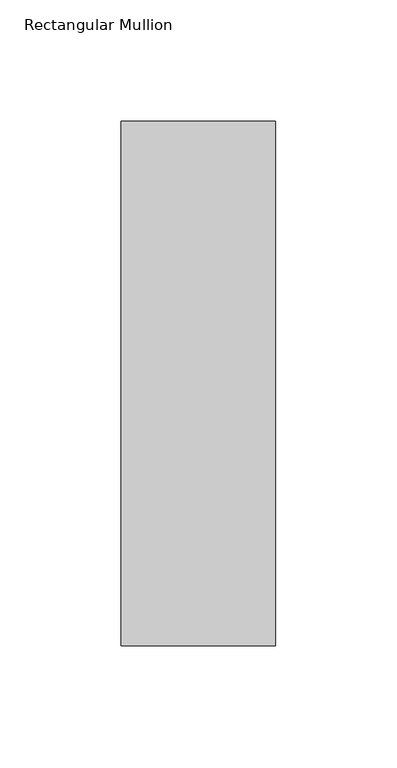
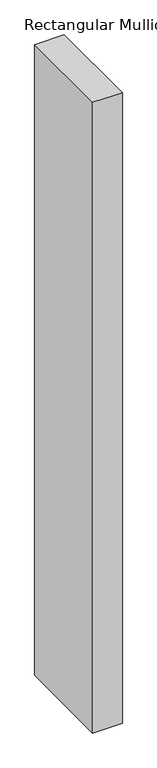
"""IFC4 building model written with IfcOpenShell, lengths in millimetres: member geometry, Rectangular Mullion."""

from ifc_helpers import new_model, si_unit, frame, origin, place, context, project, spatial, polyline, outline, extrude, source, transform, mapped, element, save


def rectangular_mullion_f43afa2d(model_context):
    return source(origin(), model_context, "Body", "SweptSolid", [
        extrude(outline(polyline([(31.75, -228.6), (-31.75, -228.6), (-31.75, -12.7), (31.75, -12.7), (31.75, -228.6)])), frame((0.0, 0.0, -1431.925), z_axis=(0.0, 0.0, 1.0), x_axis=(1.0, 0.0, 0.0)), (0.0, 0.0, 1.0), 1431.925),
    ])


if __name__ == "__main__":
    model = new_model("IFC4")
    model_context = context("Model", 3, world=origin())
    ifc_project = project(units=[si_unit("LENGTHUNIT", "METRE", prefix="MILLI")], contexts=[model_context])
    site = spatial("IfcSite", under=ifc_project)
    building = spatial("IfcBuilding", under=site)
    placement = place(None, origin())
    rectangular_mullion_shape = rectangular_mullion_f43afa2d(model_context)
    element("IfcMember", 1, ObjectType="Rectangular Mullion", at=placement, inside=building, context=model_context, shape_type="MappedRepresentation", body=[
        mapped(rectangular_mullion_shape, transform((0.0, 0.0, 0.0), x_axis=(1.0, 0.0, 0.0), y_axis=(0.0, 1.0, 0.0), z_axis=(0.0, 0.0, 1.0))),
    ])
    save(model, "model.ifc")
